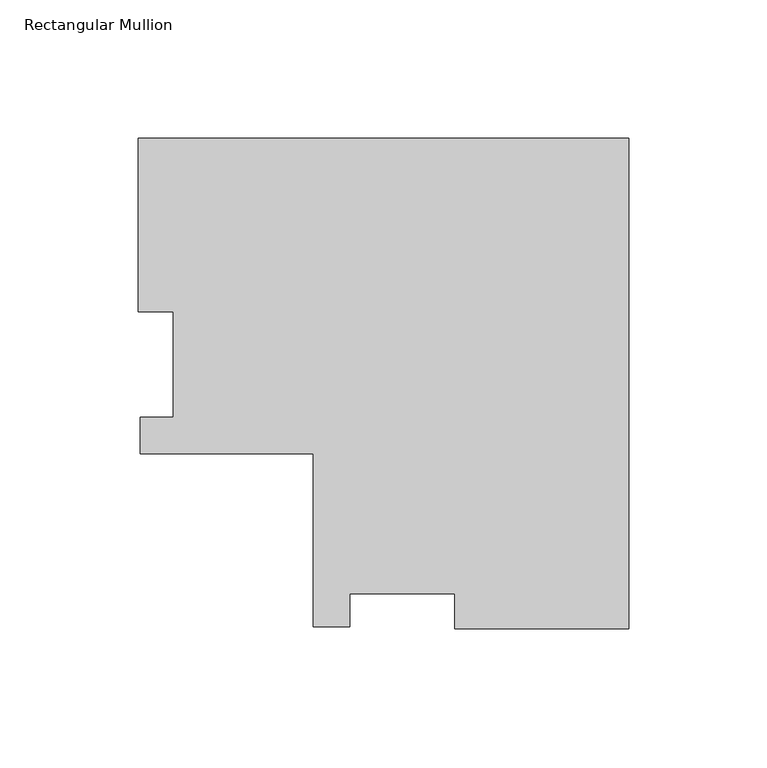
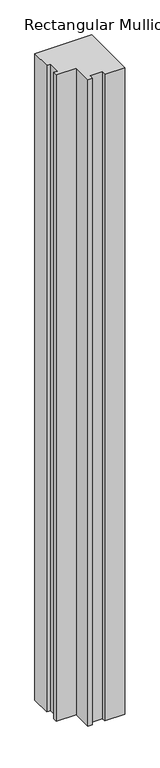
"""IFC4 building model written with IfcOpenShell, lengths in millimetres: member geometry, Rectangular Mullion."""

from ifc_helpers import new_model, si_unit, frame, origin, place, context, project, spatial, polyline, outline, extrude, source, transform, mapped, element, save


def rectangular_mullion_51a17bb8(model_context):
    return source(origin(), model_context, "Body", "SweptSolid", [
        extrude(outline(polyline([(-177.77968, 115.4787187), (0.0, 115.4787187), (0.0, -62.3009613), (-62.992, -62.3009613), (-62.992, -49.6017656), (-101.092, -49.6017656), (-101.092, -61.5135613), (-114.27968, -61.5135613), (-114.27968, 1.1990387), (-176.9922794, 1.1990387), (-176.9922794, 14.3867187), (-165.0804844, 14.3867187), (-165.0804844, 52.4867187), (-177.77968, 52.4867187), (-177.77968, 115.4787187)])), frame((0.0, 0.0, -2133.6), z_axis=(0.0, 0.0, 1.0), x_axis=(1.0, 0.0, 0.0)), (0.0, 0.0, 1.0), 2133.6),
    ])


if __name__ == "__main__":
    model = new_model("IFC4")
    model_context = context("Model", 3, world=origin())
    ifc_project = project(units=[si_unit("LENGTHUNIT", "METRE", prefix="MILLI")], contexts=[model_context])
    site = spatial("IfcSite", under=ifc_project)
    building = spatial("IfcBuilding", under=site)
    placement = place(None, origin())
    rectangular_mullion_shape = rectangular_mullion_51a17bb8(model_context)
    element("IfcMember", 1, ObjectType="Rectangular Mullion", at=placement, inside=building, context=model_context, shape_type="MappedRepresentation", body=[
        mapped(rectangular_mullion_shape, transform((0.0, 0.0, 0.0), x_axis=(1.0, 0.0, 0.0), y_axis=(0.0, 1.0, 0.0), z_axis=(0.0, 0.0, 1.0))),
    ])
    save(model, "model.ifc")
